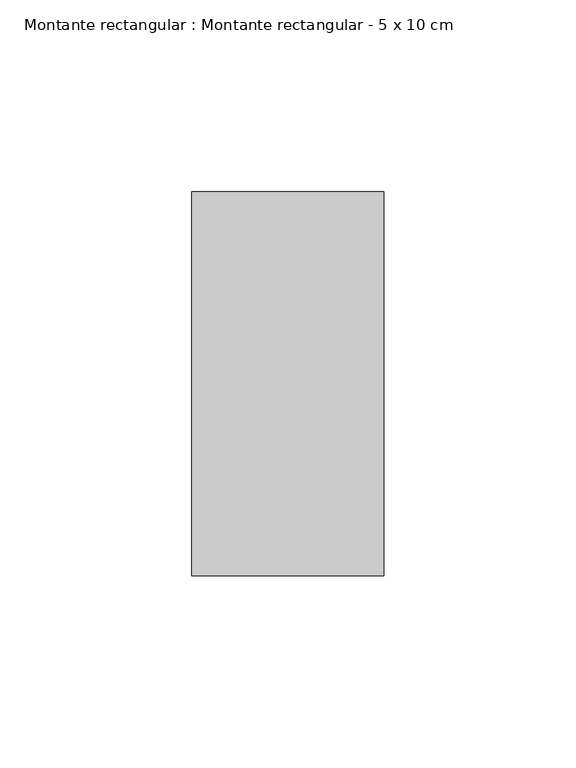
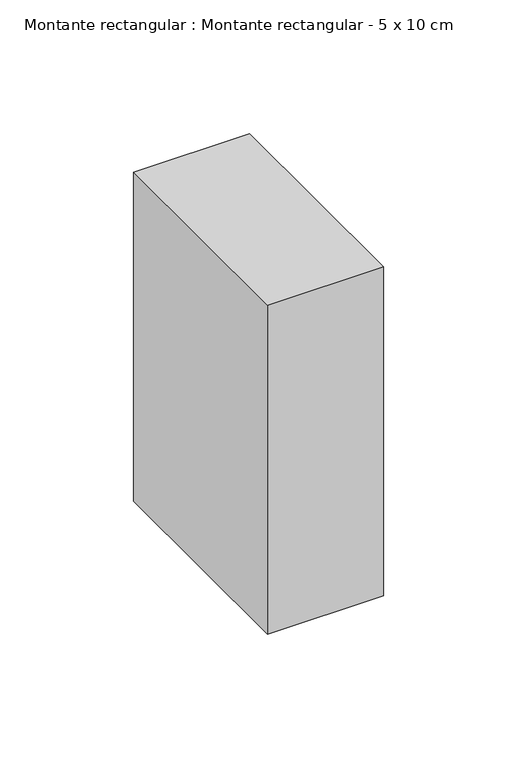
"""IFC4 building model written with IfcOpenShell, lengths in millimetres: member geometry, Montante rectangular : Montante rectangular - 5 x 10 cm."""

import ifcopenshell
import ifcopenshell.guid

model = None  # the IFC model being written
_history = None  # IfcOwnerHistory: only IFC2X3 demands one
_inside = {}  # id of a spatial element -> (the spatial element, [elements in it])
_under = {}  # id of a project, library or spatial element -> (it, [spatial elements below it])
_declared = {}  # id of a project -> (the project, [libraries it declares])
_typed = {}  # id of a type object -> (the type object, [elements of that type])
_made_of = {}  # id of a material, layer set ... -> (it, [elements and type objects made of it])


def new_model(schema):
    """Start an empty IFC model of exactly this schema.

    Asked for "IFC4X3", IfcOpenShell would pick the latest addendum, in which some entities
    have other attributes; the version numbers below select the first issue.
    IFC2X3 requires an IfcOwnerHistory on every rooted entity: one is made here for all.
    """
    global model, _history
    if schema == "IFC4X3":
        model = ifcopenshell.file(schema_version=(4, 3, 0, 0))
    else:
        model = ifcopenshell.file(schema=schema)
    _inside.clear()
    _under.clear()
    _declared.clear()
    _typed.clear()
    _made_of.clear()
    _history = None
    if model.schema == "IFC2X3":
        org = make("IfcOrganization", Name="unknown")
        user = make(
            "IfcPersonAndOrganization",
            ThePerson=make("IfcPerson", FamilyName="unknown"),
            TheOrganization=org,
        )
        app = make(
            "IfcApplication",
            ApplicationDeveloper=org,
            Version="unknown",
            ApplicationFullName="unknown",
            ApplicationIdentifier="unknown",
        )
        _history = make(
            "IfcOwnerHistory",
            OwningUser=user,
            OwningApplication=app,
            ChangeAction="ADDED",
            CreationDate=0,
        )
    return model


def make(cls, **values):
    """One entity of the class cls with the attributes given. An attribute that is None is left unset."""
    return model.create_entity(
        cls, **{name: value for name, value in values.items() if value is not None}
    )


def rooted(cls, **values):
    """An entity with a GlobalId (a new one), such as an element, a storey or a relation."""
    return make(cls, GlobalId=ifcopenshell.guid.new(), OwnerHistory=_history, **values)


def si_unit(unit_type, name, prefix=None):
    """IfcSIUnit, for example si_unit("LENGTHUNIT", "METRE", prefix="MILLI")."""
    return make("IfcSIUnit", UnitType=unit_type, Prefix=prefix, Name=name)


def assignment(units):
    """IfcUnitAssignment: the units of a project."""
    return None if units is None else make("IfcUnitAssignment", Units=units)


def point(xyz):
    """IfcCartesianPoint."""
    return None if xyz is None else make("IfcCartesianPoint", Coordinates=xyz)


def direction(xyz):
    """IfcDirection."""
    return None if xyz is None else make("IfcDirection", DirectionRatios=xyz)


def frame(location, z_axis=None, x_axis=None):
    """IfcAxis2Placement3D, a coordinate frame: its origin and axes. An axis left out is left unset."""
    return make(
        "IfcAxis2Placement3D",
        Location=point(location),
        Axis=direction(z_axis),
        RefDirection=direction(x_axis),
    )


def origin():
    """The frame at (0, 0, 0) with its axes left unset."""
    return frame((0.0, 0.0, 0.0))


def place(relative_to, where):
    """IfcLocalPlacement: puts the frame where relative to a parent placement (None: the world)."""
    return make(
        "IfcLocalPlacement", PlacementRelTo=relative_to, RelativePlacement=where
    )


def context(
    kind, dimensions, precision=None, world=None, true_north=None, identifier=None
):
    """IfcGeometricRepresentationContext, for example the 3D "Model" context."""
    return make(
        "IfcGeometricRepresentationContext",
        ContextIdentifier=identifier,
        ContextType=kind,
        CoordinateSpaceDimension=dimensions,
        Precision=precision,
        WorldCoordinateSystem=world,
        TrueNorth=true_north,
    )


def project(units=None, contexts=None):
    """IfcProject with its units and contexts."""
    return rooted(
        "IfcProject",
        Name="project",
        RepresentationContexts=contexts,
        UnitsInContext=assignment(units),
    )


def spatial(cls, under=None, at=None, **own):
    """A site, building, storey or space (cls), placed at a placement, below another one or the project."""
    s = rooted(cls, ObjectPlacement=at, **own)
    if under is not None:
        _under.setdefault(under.id(), (under, []))[1].append(s)
    return s


def polyline(points):
    """IfcPolyline through the points."""
    return make("IfcPolyline", Points=[point(p) for p in points])


def outline(outer, holes=None, kind="AREA"):
    """IfcArbitraryClosedProfileDef: a profile drawn as a closed curve; with holes, ...WithVoids."""
    if holes is None:
        return make("IfcArbitraryClosedProfileDef", ProfileType=kind, OuterCurve=outer)
    return make(
        "IfcArbitraryProfileDefWithVoids",
        ProfileType=kind,
        OuterCurve=outer,
        InnerCurves=holes,
    )


def extrude(swept, where, along, depth):
    """IfcExtrudedAreaSolid: the profile swept, set in the frame where, extruded along a direction by depth."""
    return make(
        "IfcExtrudedAreaSolid",
        SweptArea=swept,
        Position=where,
        ExtrudedDirection=direction(along),
        Depth=depth,
    )


def shape(context_of_items, identifier, shape_type, items):
    """IfcShapeRepresentation: the items that make up one representation, for example the "Body"."""
    return make(
        "IfcShapeRepresentation",
        ContextOfItems=context_of_items,
        RepresentationIdentifier=identifier,
        RepresentationType=shape_type,
        Items=items,
    )


def source(mapping_origin, context_of_items, identifier, shape_type, items):
    """IfcRepresentationMap: a shape defined once, which mapped items show again and again."""
    return make(
        "IfcRepresentationMap",
        MappingOrigin=mapping_origin,
        MappedRepresentation=shape(context_of_items, identifier, shape_type, items),
    )


def transform(
    local_origin,
    x_axis=None,
    y_axis=None,
    z_axis=None,
    scale=None,
    scale2=None,
    scale3=None,
    uniform=True,
):
    """IfcCartesianTransformationOperator3D, or its non-uniform kind. x_axis, y_axis, z_axis: its Axis1, 2, 3."""
    if uniform:
        return make(
            "IfcCartesianTransformationOperator3D",
            Axis1=direction(x_axis),
            Axis2=direction(y_axis),
            LocalOrigin=point(local_origin),
            Scale=scale,
            Axis3=direction(z_axis),
        )
    return make(
        "IfcCartesianTransformationOperator3DnonUniform",
        Axis1=direction(x_axis),
        Axis2=direction(y_axis),
        LocalOrigin=point(local_origin),
        Scale=scale,
        Axis3=direction(z_axis),
        Scale2=scale2,
        Scale3=scale3,
    )


def mapped(mapping_source, mapping_target):
    """IfcMappedItem: shows the shape of a source again, moved by a transform."""
    return make(
        "IfcMappedItem", MappingSource=mapping_source, MappingTarget=mapping_target
    )


def made_of(thing, what):
    """Note that an element or type object is made of a material, layer set ...; save() writes the relation."""
    if what is not None:
        _made_of.setdefault(what.id(), (what, []))[1].append(thing)
    return thing


def element(
    cls,
    number,
    at=None,
    inside=None,
    cuts=None,
    type_object=None,
    material=None,
    context=None,
    identifier="Body",
    shape_type=None,
    held_by="IfcProductDefinitionShape",
    body=None,
    shapes=None,
    **own,
):
    """One element of the class cls, such as IfcWall. Its Tag is "e" and its number.

    at: its placement. inside: the storey or other place that contains it. cuts: it is an
    opening in that element (IfcRelVoidsElement). A single representation is given by context,
    identifier, shape_type and body (its items); several are given by shapes. held_by: the class
    of the entity that holds the representations. save() writes the other relations.
    """
    e = rooted(cls, Tag="e%d" % number, ObjectPlacement=at, **own)
    if body is not None:
        shapes = [shape(context, identifier, shape_type, body)]
    if shapes is not None:
        e.Representation = make(held_by, Representations=shapes)
    if inside is not None:
        _inside.setdefault(inside.id(), (inside, []))[1].append(e)
    if cuts is not None:
        rooted(
            "IfcRelVoidsElement", RelatingBuildingElement=cuts, RelatedOpeningElement=e
        )
    if type_object is not None:
        _typed.setdefault(type_object.id(), (type_object, []))[1].append(e)
    return made_of(e, material)


def aggregate(whole, parts):
    """IfcRelAggregates: a whole, such as a stair, and the parts it consists of."""
    return rooted("IfcRelAggregates", RelatingObject=whole, RelatedObjects=parts)


def save(model, path):
    """Write the relations noted so far, then the file.

    IfcRelAggregates (storeys below a building ...), IfcRelContainedInSpatialStructure (elements
    in a storey), IfcRelDefinesByType, IfcRelAssociatesMaterial and IfcRelDeclares: one each for
    every whole, place, type object, material and project.
    """
    for whole, parts in _under.values():
        aggregate(whole, parts)
    for where, things in _inside.values():
        rooted(
            "IfcRelContainedInSpatialStructure",
            RelatedElements=things,
            RelatingStructure=where,
        )
    for kind, things in _typed.values():
        rooted("IfcRelDefinesByType", RelatedObjects=things, RelatingType=kind)
    for what, things in _made_of.values():
        rooted("IfcRelAssociatesMaterial", RelatedObjects=things, RelatingMaterial=what)
    for by, libraries in _declared.values():
        rooted("IfcRelDeclares", RelatingContext=by, RelatedDefinitions=libraries)
    model.write(path)


def montante_rectangular_montante_rectangular_5_x_10_cm_b2476fd6(model_context):
    return source(origin(), model_context, "Body", "SweptSolid", [
        extrude(outline(polyline([(0.0, 50.0), (0.0, -50.0), (-50.0, -50.0), (-50.0, 50.0), (0.0, 50.0)])), frame((0.0, 0.0, -150.0), z_axis=(0.0, 0.0, 1.0), x_axis=(1.0, 0.0, 0.0)), (0.0, 0.0, 1.0), 150.0),
    ])


if __name__ == "__main__":
    model = new_model("IFC4")
    model_context = context("Model", 3, world=origin())
    ifc_project = project(units=[si_unit("LENGTHUNIT", "METRE", prefix="MILLI")], contexts=[model_context])
    site = spatial("IfcSite", under=ifc_project)
    building = spatial("IfcBuilding", under=site)
    placement = place(None, origin())
    montante_rectangular_montante_rectangular_5_x_10_cm_shape = montante_rectangular_montante_rectangular_5_x_10_cm_b2476fd6(model_context)
    element("IfcMember", 1, ObjectType="Montante rectangular : Montante rectangular - 5 x 10 cm", at=placement, inside=building, context=model_context, shape_type="MappedRepresentation", body=[
        mapped(montante_rectangular_montante_rectangular_5_x_10_cm_shape, transform((0.0, 0.0, 0.0), x_axis=(1.0, 0.0, 0.0), y_axis=(0.0, 1.0, 0.0), z_axis=(0.0, 0.0, 1.0))),
    ])
    save(model, "model.ifc")
